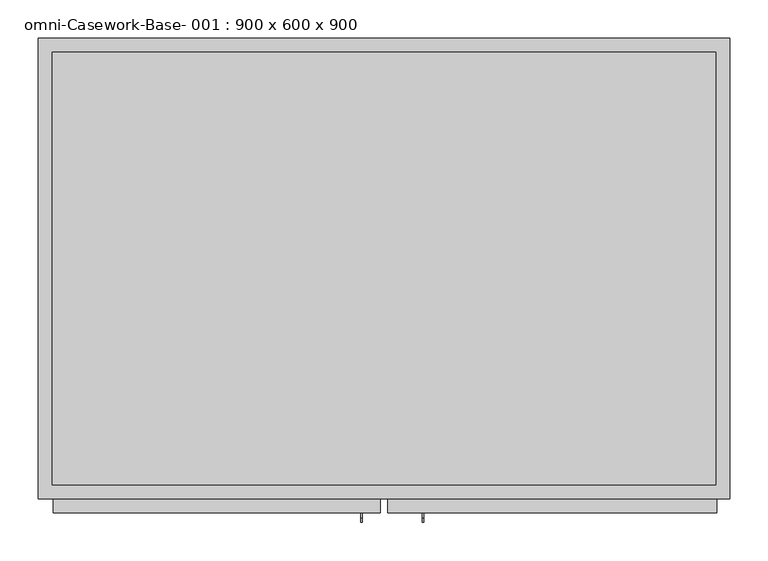
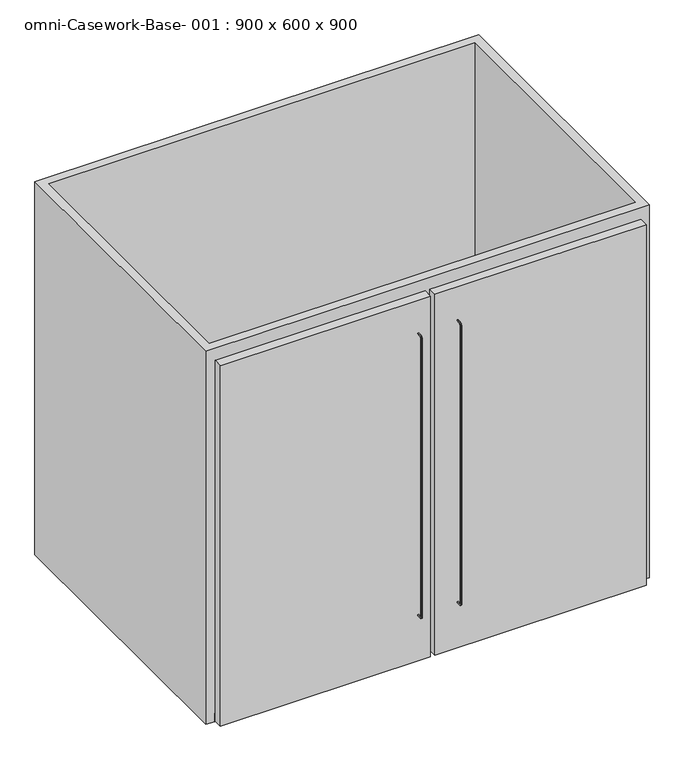
"""IFC4 building model written with IfcOpenShell, lengths in millimetres: furniture geometry, omni-Casework-Base- 001 : 900 x 600 x 900."""

from ifc_helpers import new_model, si_unit, point, frame, frame_2d, origin, place, context, project, spatial, polyline, circle_curve, trimmed, segment, composite_curve, outline, extrude, faceted_brep, source, transform, mapped, element, save


def omni_casework_base_001_900_x_600_x_900_9d246f10(model_context):
    return source(origin(), model_context, "Body", "SolidModel", [
        extrude(outline(composite_curve([segment(polyline([(-618.0, 199.4054804), (-618.0, 197.4054804), (-627.6220274, 197.4054804)]), True, "CONTINUOUS"), segment(trimmed(circle_curve(frame_2d((-627.6220274, 200.3500649)), 2.9445845), [point((-627.6220274, 197.4054804))], [point((-630.5666119, 200.3500649))], False, "CARTESIAN"), True, "CONTINUOUS"), segment(polyline([(-630.5666119, 200.3500649), (-630.5666119, 798.6144679)]), True, "CONTINUOUS"), segment(trimmed(circle_curve(frame_2d((-625.6423755, 798.6144679)), 4.9242364), [point((-630.5666119, 798.6144679))], [point((-625.6423755, 803.5387043))], False, "CARTESIAN"), True, "CONTINUOUS"), segment(polyline([(-625.6423755, 803.5387043), (-618.0, 803.5387043), (-618.0, 801.5387043), (-625.6423755, 801.5387043)]), True, "CONTINUOUS"), segment(trimmed(circle_curve(frame_2d((-625.6423755, 798.6144679)), 2.9242364), [point((-625.6423755, 801.5387043))], [point((-628.5666119, 798.6144679))], True, "CARTESIAN"), True, "CONTINUOUS"), segment(polyline([(-628.5666119, 798.6144679), (-628.5666119, 200.3500649)]), True, "CONTINUOUS"), segment(trimmed(circle_curve(frame_2d((-627.6220274, 200.3500649)), 0.9445845), [point((-628.5666119, 200.3500649))], [point((-627.6220274, 199.4054804))], True, "CARTESIAN"), True, "CONTINUOUS"), segment(polyline([(-627.6220274, 199.4054804), (-618.0, 199.4054804)]), True, "CONTINUOUS")], self_intersect=False)), frame((94.2332777, 0.0, 0.0), z_axis=(1.0, 0.0, 0.0), x_axis=(0.0, 1.0, 0.0)), (0.0, 0.0, 1.0), 2.0),
        extrude(outline(composite_curve([segment(polyline([(-618.0, 199.4054804), (-618.0, 197.4054804), (-627.6220274, 197.4054804)]), True, "CONTINUOUS"), segment(trimmed(circle_curve(frame_2d((-627.6220274, 200.3500649)), 2.9445845), [point((-627.6220274, 197.4054804))], [point((-630.5666119, 200.3500649))], False, "CARTESIAN"), True, "CONTINUOUS"), segment(polyline([(-630.5666119, 200.3500649), (-630.5666119, 798.6144679)]), True, "CONTINUOUS"), segment(trimmed(circle_curve(frame_2d((-625.6423755, 798.6144679)), 4.9242364), [point((-630.5666119, 798.6144679))], [point((-625.6423755, 803.5387043))], False, "CARTESIAN"), True, "CONTINUOUS"), segment(polyline([(-625.6423755, 803.5387043), (-618.0, 803.5387043), (-618.0, 801.5387043), (-625.6423755, 801.5387043)]), True, "CONTINUOUS"), segment(trimmed(circle_curve(frame_2d((-625.6423755, 798.6144679)), 2.9242364), [point((-625.6423755, 801.5387043))], [point((-628.5666119, 798.6144679))], True, "CARTESIAN"), True, "CONTINUOUS"), segment(polyline([(-628.5666119, 798.6144679), (-628.5666119, 200.3500649)]), True, "CONTINUOUS"), segment(trimmed(circle_curve(frame_2d((-627.6220274, 200.3500649)), 0.9445845), [point((-628.5666119, 200.3500649))], [point((-627.6220274, 199.4054804))], True, "CARTESIAN"), True, "CONTINUOUS"), segment(polyline([(-627.6220274, 199.4054804), (-618.0, 199.4054804)]), True, "CONTINUOUS")], self_intersect=False)), frame((14.2332777, 0.0, 0.0), z_axis=(1.0, 0.0, 0.0), x_axis=(0.0, 1.0, 0.0)), (0.0, 0.0, 1.0), 2.0),
        extrude(outline(polyline([(39.7003264, -618.0), (-386.278676, -618.0), (-386.278676, -600.0), (39.7003264, -600.0), (39.7003264, -618.0)])), frame((0.0, 0.0, 100.0), z_axis=(0.0, 0.0, 1.0), x_axis=(1.0, 0.0, 0.0)), (0.0, 0.0, 1.0), 773.9860462),
        extrude(outline(polyline([(477.721324, -618.0), (49.4789228, -618.0), (49.4789228, -600.0), (477.721324, -600.0), (477.721324, -618.0)])), frame((0.0, 0.0, 100.0), z_axis=(0.0, 0.0, 1.0), x_axis=(1.0, 0.0, 0.0)), (0.0, 0.0, 1.0), 773.9860462),
        extrude(outline(polyline([(476.7003264, -18.0), (476.7003264, -600.0), (-387.2996736, -600.0), (-387.2996736, -18.0), (476.7003264, -18.0)])), frame((0.0, 0.0, 100.0), z_axis=(0.0, 0.0, 1.0), x_axis=(1.0, 0.0, 0.0)), (0.0, 0.0, 1.0), 18.0),
        faceted_brep([(-405.2996736, 0.0, 900.0), (-405.2996736, -600.0, 900.0), (494.7003264, -600.0, 900.0), (494.7003264, 0.0, 900.0), (-387.2996736, -18.0, 900.0), (476.7003264, -18.0, 900.0), (476.7003264, -582.0, 900.0), (-387.2996736, -582.0, 900.0), (-405.2996736, 0.0, 100.0), (494.7003264, 0.0, 100.0), (494.7003264, -600.0, 100.0), (476.7003264, -600.0, 100.0), (476.7003264, -18.0, 100.0), (-387.2996736, -18.0, 100.0), (-387.2996736, -600.0, 100.0), (-405.2996736, -600.0, 100.0), (-387.2996736, -600.0, 847.9720924), (476.7003264, -600.0, 847.9720924), (476.7003264, -582.0, 847.9720924), (-387.2996736, -582.0, 847.9720924)], [[[0, 1, 2, 3], [4, 5, 6, 7]], [[8, 9, 10, 11, 12, 13, 14, 15]], [[1, 0, 8, 15]], [[2, 1, 15, 14, 16, 17, 11, 10]], [[3, 2, 10, 9]], [[0, 3, 9, 8]], [[5, 4, 13, 12]], [[6, 5, 12, 11, 17, 18]], [[7, 6, 18, 19]], [[4, 7, 19, 16, 14, 13]], [[18, 17, 16, 19]]]),
    ])


if __name__ == "__main__":
    model = new_model("IFC4")
    model_context = context("Model", 3, world=origin())
    ifc_project = project(units=[si_unit("LENGTHUNIT", "METRE", prefix="MILLI")], contexts=[model_context])
    site = spatial("IfcSite", under=ifc_project)
    building = spatial("IfcBuilding", under=site)
    placement = place(None, origin())
    omni_casework_base_001_900_x_600_x_900_shape = omni_casework_base_001_900_x_600_x_900_9d246f10(model_context)
    element("IfcFurniture", 1, ObjectType="omni-Casework-Base- 001 : 900 x 600 x 900", at=placement, inside=building, context=model_context, shape_type="MappedRepresentation", body=[
        mapped(omni_casework_base_001_900_x_600_x_900_shape, transform((0.0, 0.0, 0.0), x_axis=(1.0, 0.0, 0.0), y_axis=(0.0, 1.0, 0.0), z_axis=(0.0, 0.0, 1.0))),
    ])
    save(model, "model.ifc")
